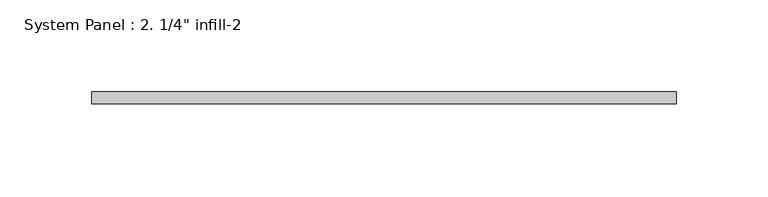
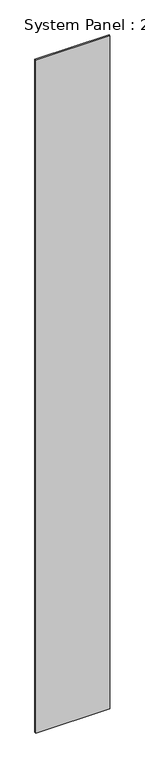
"""IFC4 building model written with IfcOpenShell, lengths in millimetres: plate geometry."""

import ifcopenshell
import ifcopenshell.guid

model = None  # the IFC model being written
_history = None  # IfcOwnerHistory: only IFC2X3 demands one
_inside = {}  # id of a spatial element -> (the spatial element, [elements in it])
_under = {}  # id of a project, library or spatial element -> (it, [spatial elements below it])
_declared = {}  # id of a project -> (the project, [libraries it declares])
_typed = {}  # id of a type object -> (the type object, [elements of that type])
_made_of = {}  # id of a material, layer set ... -> (it, [elements and type objects made of it])


def new_model(schema):
    """Start an empty IFC model of exactly this schema.

    Asked for "IFC4X3", IfcOpenShell would pick the latest addendum, in which some entities
    have other attributes; the version numbers below select the first issue.
    IFC2X3 requires an IfcOwnerHistory on every rooted entity: one is made here for all.
    """
    global model, _history
    if schema == "IFC4X3":
        model = ifcopenshell.file(schema_version=(4, 3, 0, 0))
    else:
        model = ifcopenshell.file(schema=schema)
    _inside.clear()
    _under.clear()
    _declared.clear()
    _typed.clear()
    _made_of.clear()
    _history = None
    if model.schema == "IFC2X3":
        org = make("IfcOrganization", Name="unknown")
        user = make(
            "IfcPersonAndOrganization",
            ThePerson=make("IfcPerson", FamilyName="unknown"),
            TheOrganization=org,
        )
        app = make(
            "IfcApplication",
            ApplicationDeveloper=org,
            Version="unknown",
            ApplicationFullName="unknown",
            ApplicationIdentifier="unknown",
        )
        _history = make(
            "IfcOwnerHistory",
            OwningUser=user,
            OwningApplication=app,
            ChangeAction="ADDED",
            CreationDate=0,
        )
    return model


def make(cls, **values):
    """One entity of the class cls with the attributes given. An attribute that is None is left unset."""
    return model.create_entity(
        cls, **{name: value for name, value in values.items() if value is not None}
    )


def rooted(cls, **values):
    """An entity with a GlobalId (a new one), such as an element, a storey or a relation."""
    return make(cls, GlobalId=ifcopenshell.guid.new(), OwnerHistory=_history, **values)


def si_unit(unit_type, name, prefix=None):
    """IfcSIUnit, for example si_unit("LENGTHUNIT", "METRE", prefix="MILLI")."""
    return make("IfcSIUnit", UnitType=unit_type, Prefix=prefix, Name=name)


def assignment(units):
    """IfcUnitAssignment: the units of a project."""
    return None if units is None else make("IfcUnitAssignment", Units=units)


def point(xyz):
    """IfcCartesianPoint."""
    return None if xyz is None else make("IfcCartesianPoint", Coordinates=xyz)


def direction(xyz):
    """IfcDirection."""
    return None if xyz is None else make("IfcDirection", DirectionRatios=xyz)


def frame(location, z_axis=None, x_axis=None):
    """IfcAxis2Placement3D, a coordinate frame: its origin and axes. An axis left out is left unset."""
    return make(
        "IfcAxis2Placement3D",
        Location=point(location),
        Axis=direction(z_axis),
        RefDirection=direction(x_axis),
    )


def origin():
    """The frame at (0, 0, 0) with its axes left unset."""
    return frame((0.0, 0.0, 0.0))


def origin_with_axes():
    """The frame at (0, 0, 0) with the z axis (0, 0, 1) and the x axis (1, 0, 0) written out."""
    return frame((0.0, 0.0, 0.0), z_axis=(0.0, 0.0, 1.0), x_axis=(1.0, 0.0, 0.0))


def place(relative_to, where):
    """IfcLocalPlacement: puts the frame where relative to a parent placement (None: the world)."""
    return make(
        "IfcLocalPlacement", PlacementRelTo=relative_to, RelativePlacement=where
    )


def context(
    kind, dimensions, precision=None, world=None, true_north=None, identifier=None
):
    """IfcGeometricRepresentationContext, for example the 3D "Model" context."""
    return make(
        "IfcGeometricRepresentationContext",
        ContextIdentifier=identifier,
        ContextType=kind,
        CoordinateSpaceDimension=dimensions,
        Precision=precision,
        WorldCoordinateSystem=world,
        TrueNorth=true_north,
    )


def project(units=None, contexts=None):
    """IfcProject with its units and contexts."""
    return rooted(
        "IfcProject",
        Name="project",
        RepresentationContexts=contexts,
        UnitsInContext=assignment(units),
    )


def spatial(cls, under=None, at=None, **own):
    """A site, building, storey or space (cls), placed at a placement, below another one or the project."""
    s = rooted(cls, ObjectPlacement=at, **own)
    if under is not None:
        _under.setdefault(under.id(), (under, []))[1].append(s)
    return s


def polyline(points):
    """IfcPolyline through the points."""
    return make("IfcPolyline", Points=[point(p) for p in points])


def outline(outer, holes=None, kind="AREA"):
    """IfcArbitraryClosedProfileDef: a profile drawn as a closed curve; with holes, ...WithVoids."""
    if holes is None:
        return make("IfcArbitraryClosedProfileDef", ProfileType=kind, OuterCurve=outer)
    return make(
        "IfcArbitraryProfileDefWithVoids",
        ProfileType=kind,
        OuterCurve=outer,
        InnerCurves=holes,
    )


def extrude(swept, where, along, depth):
    """IfcExtrudedAreaSolid: the profile swept, set in the frame where, extruded along a direction by depth."""
    return make(
        "IfcExtrudedAreaSolid",
        SweptArea=swept,
        Position=where,
        ExtrudedDirection=direction(along),
        Depth=depth,
    )


def shape(context_of_items, identifier, shape_type, items):
    """IfcShapeRepresentation: the items that make up one representation, for example the "Body"."""
    return make(
        "IfcShapeRepresentation",
        ContextOfItems=context_of_items,
        RepresentationIdentifier=identifier,
        RepresentationType=shape_type,
        Items=items,
    )


def source(mapping_origin, context_of_items, identifier, shape_type, items):
    """IfcRepresentationMap: a shape defined once, which mapped items show again and again."""
    return make(
        "IfcRepresentationMap",
        MappingOrigin=mapping_origin,
        MappedRepresentation=shape(context_of_items, identifier, shape_type, items),
    )


def transform(
    local_origin,
    x_axis=None,
    y_axis=None,
    z_axis=None,
    scale=None,
    scale2=None,
    scale3=None,
    uniform=True,
):
    """IfcCartesianTransformationOperator3D, or its non-uniform kind. x_axis, y_axis, z_axis: its Axis1, 2, 3."""
    if uniform:
        return make(
            "IfcCartesianTransformationOperator3D",
            Axis1=direction(x_axis),
            Axis2=direction(y_axis),
            LocalOrigin=point(local_origin),
            Scale=scale,
            Axis3=direction(z_axis),
        )
    return make(
        "IfcCartesianTransformationOperator3DnonUniform",
        Axis1=direction(x_axis),
        Axis2=direction(y_axis),
        LocalOrigin=point(local_origin),
        Scale=scale,
        Axis3=direction(z_axis),
        Scale2=scale2,
        Scale3=scale3,
    )


def mapped(mapping_source, mapping_target):
    """IfcMappedItem: shows the shape of a source again, moved by a transform."""
    return make(
        "IfcMappedItem", MappingSource=mapping_source, MappingTarget=mapping_target
    )


def made_of(thing, what):
    """Note that an element or type object is made of a material, layer set ...; save() writes the relation."""
    if what is not None:
        _made_of.setdefault(what.id(), (what, []))[1].append(thing)
    return thing


def element(
    cls,
    number,
    at=None,
    inside=None,
    cuts=None,
    type_object=None,
    material=None,
    context=None,
    identifier="Body",
    shape_type=None,
    held_by="IfcProductDefinitionShape",
    body=None,
    shapes=None,
    **own,
):
    """One element of the class cls, such as IfcWall. Its Tag is "e" and its number.

    at: its placement. inside: the storey or other place that contains it. cuts: it is an
    opening in that element (IfcRelVoidsElement). A single representation is given by context,
    identifier, shape_type and body (its items); several are given by shapes. held_by: the class
    of the entity that holds the representations. save() writes the other relations.
    """
    e = rooted(cls, Tag="e%d" % number, ObjectPlacement=at, **own)
    if body is not None:
        shapes = [shape(context, identifier, shape_type, body)]
    if shapes is not None:
        e.Representation = make(held_by, Representations=shapes)
    if inside is not None:
        _inside.setdefault(inside.id(), (inside, []))[1].append(e)
    if cuts is not None:
        rooted(
            "IfcRelVoidsElement", RelatingBuildingElement=cuts, RelatedOpeningElement=e
        )
    if type_object is not None:
        _typed.setdefault(type_object.id(), (type_object, []))[1].append(e)
    return made_of(e, material)


def aggregate(whole, parts):
    """IfcRelAggregates: a whole, such as a stair, and the parts it consists of."""
    return rooted("IfcRelAggregates", RelatingObject=whole, RelatedObjects=parts)


def save(model, path):
    """Write the relations noted so far, then the file.

    IfcRelAggregates (storeys below a building ...), IfcRelContainedInSpatialStructure (elements
    in a storey), IfcRelDefinesByType, IfcRelAssociatesMaterial and IfcRelDeclares: one each for
    every whole, place, type object, material and project.
    """
    for whole, parts in _under.values():
        aggregate(whole, parts)
    for where, things in _inside.values():
        rooted(
            "IfcRelContainedInSpatialStructure",
            RelatedElements=things,
            RelatingStructure=where,
        )
    for kind, things in _typed.values():
        rooted("IfcRelDefinesByType", RelatedObjects=things, RelatingType=kind)
    for what, things in _made_of.values():
        rooted("IfcRelAssociatesMaterial", RelatedObjects=things, RelatingMaterial=what)
    for by, libraries in _declared.values():
        rooted("IfcRelDeclares", RelatingContext=by, RelatedDefinitions=libraries)
    model.write(path)


def plate_702c31ed(model_context):
    return source(origin(), model_context, "Body", "SweptSolid", [
        extrude(outline(polyline([(158.75, 0.0), (-158.75, 0.0), (-158.75, 6.35), (158.75, 6.35), (158.75, 0.0)])), origin_with_axes(), (0.0, 0.0, 1.0), 3048.0),
    ])


if __name__ == "__main__":
    model = new_model("IFC4")
    model_context = context("Model", 3, world=origin())
    ifc_project = project(units=[si_unit("LENGTHUNIT", "METRE", prefix="MILLI")], contexts=[model_context])
    site = spatial("IfcSite", under=ifc_project)
    building = spatial("IfcBuilding", under=site)
    placement = place(None, origin())
    plate_shape = plate_702c31ed(model_context)
    element("IfcPlate", 1, ObjectType="System Panel : 2. 1/4\" infill-2", at=placement, inside=building, context=model_context, shape_type="MappedRepresentation", body=[
        mapped(plate_shape, transform((0.0, 0.0, 0.0), x_axis=(1.0, 0.0, 0.0), y_axis=(0.0, 1.0, 0.0), z_axis=(0.0, 0.0, 1.0))),
    ])
    save(model, "model.ifc")
